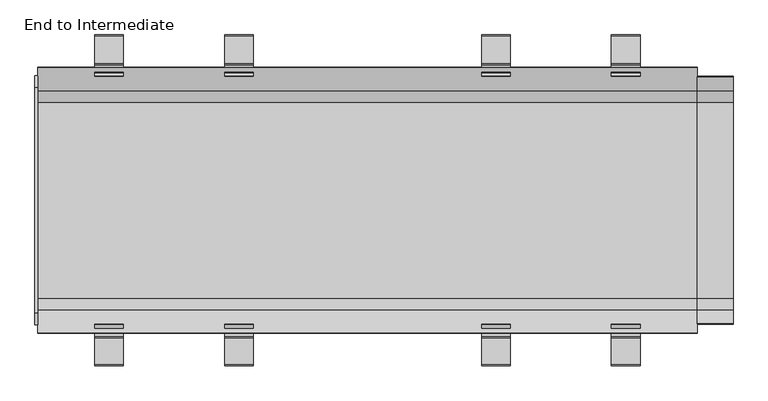
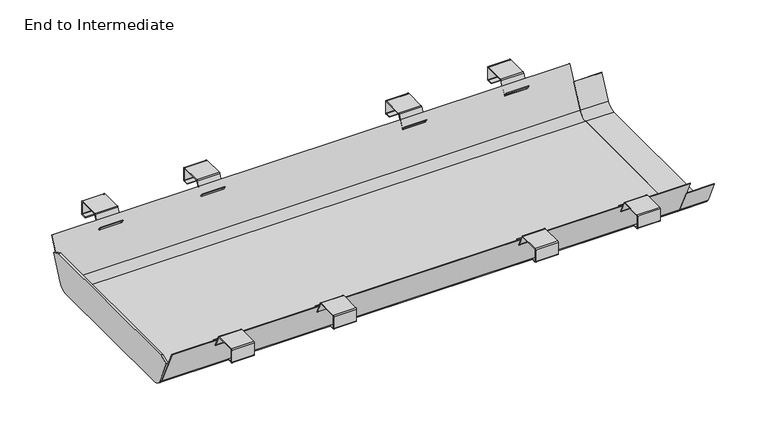
"""IFC4 building model written with IfcOpenShell, lengths in millimetres: furniture geometry, End to Intermediate."""

from ifc_helpers import new_model, si_unit, point, frame, frame_2d, origin, place, context, project, spatial, polyline, circle_curve, trimmed, segment, composite_curve, outline, extrude, source, transform, mapped, element, save


def end_to_intermediate_b257fd21(model_context):
    return source(origin(), model_context, "Body", "SweptSolid", [
        extrude(outline(composite_curve([segment(polyline([(-314.3902006, 691.2175894), (-262.5863476, 691.2175894)]), True, "CONTINUOUS"), segment(trimmed(circle_curve(frame_2d((-262.5863476, 688.1906532)), 3.0269361), [point((-262.5863476, 691.2175894))], [point((-259.8430196, 689.4699085))], False, "CARTESIAN"), True, "CONTINUOUS"), segment(polyline([(-259.8430196, 689.4699085), (-246.5846085, 661.037607)]), True, "CONTINUOUS"), segment(trimmed(circle_curve(frame_2d((-245.4846589, 661.5505301)), 1.2136636), [point((-246.5846085, 661.037607))], [point((-244.4904732, 660.8544166))], True, "CARTESIAN"), True, "CONTINUOUS"), segment(polyline([(-244.4904732, 660.8544166), (-238.583501, 669.2907232), (-237.3549672, 668.4305362), (-243.4492366, 659.7265967)]), True, "CONTINUOUS"), segment(trimmed(circle_curve(frame_2d((-245.517585, 661.1747998)), 2.524947), [point((-243.4492366, 659.7265967))], [point((-247.8059576, 660.1076971))], False, "CARTESIAN"), True, "CONTINUOUS"), segment(polyline([(-247.8059576, 660.1076971), (-261.3735958, 689.2031275)]), True, "CONTINUOUS"), segment(trimmed(circle_curve(frame_2d((-262.1811743, 688.8265414)), 0.8910668), [point((-261.3735958, 689.2031275))], [point((-262.1811743, 689.7176083))], True, "CARTESIAN"), True, "CONTINUOUS"), segment(polyline([(-262.1811743, 689.7176083), (-313.9528471, 689.7176083)]), True, "CONTINUOUS"), segment(trimmed(circle_curve(frame_2d((-313.9528471, 688.5126976)), 1.2049106), [point((-313.9528471, 689.7176083))], [point((-315.1577577, 688.5126976))], True, "CARTESIAN"), True, "CONTINUOUS"), segment(polyline([(-315.1577577, 688.5126976), (-315.1577577, 658.6910173)]), True, "CONTINUOUS"), segment(trimmed(circle_curve(frame_2d((-314.1843397, 658.6910173)), 0.973418), [point((-315.1577577, 658.6910173))], [point((-314.1843397, 657.7175993))], True, "CARTESIAN"), True, "CONTINUOUS"), segment(polyline([(-314.1843397, 657.7175993), (-301.6596991, 657.7175993), (-301.6596991, 656.2176182), (-314.147136, 656.2176182)]), True, "CONTINUOUS"), segment(trimmed(circle_curve(frame_2d((-314.147136, 658.7282211)), 2.5106029), [point((-314.147136, 656.2176182))], [point((-316.6577389, 658.7282211))], False, "CARTESIAN"), True, "CONTINUOUS"), segment(polyline([(-316.6577389, 658.7282211), (-316.6577389, 688.9500511)]), True, "CONTINUOUS"), segment(trimmed(circle_curve(frame_2d((-314.3902006, 688.9500511)), 2.2675383), [point((-316.6577389, 688.9500511))], [point((-314.3902006, 691.2175894))], False, "CARTESIAN"), True, "CONTINUOUS")], self_intersect=False)), frame((-522.0245546, 0.0, 0.0), z_axis=(1.0, 0.0, 0.0), x_axis=(0.0, 1.0, 0.0)), (0.0, 0.0, 1.0), 55.0186294),
        extrude(outline(composite_curve([segment(trimmed(circle_curve(frame_2d((314.3902006, 688.9500511)), 2.2675383), [point((314.3902006, 691.2175894))], [point((316.6577389, 688.9500511))], False, "CARTESIAN"), True, "CONTINUOUS"), segment(polyline([(316.6577389, 688.9500511), (316.6577389, 658.7282211)]), True, "CONTINUOUS"), segment(trimmed(circle_curve(frame_2d((314.147136, 658.7282211)), 2.5106029), [point((316.6577389, 658.7282211))], [point((314.147136, 656.2176182))], False, "CARTESIAN"), True, "CONTINUOUS"), segment(polyline([(314.147136, 656.2176182), (301.6596991, 656.2176182), (301.6596991, 657.7175993), (314.1843397, 657.7175993)]), True, "CONTINUOUS"), segment(trimmed(circle_curve(frame_2d((314.1843397, 658.6910173)), 0.973418), [point((314.1843397, 657.7175993))], [point((315.1577577, 658.6910173))], True, "CARTESIAN"), True, "CONTINUOUS"), segment(polyline([(315.1577577, 658.6910173), (315.1577577, 688.5126976)]), True, "CONTINUOUS"), segment(trimmed(circle_curve(frame_2d((313.9528471, 688.5126976)), 1.2049106), [point((315.1577577, 688.5126976))], [point((313.9528471, 689.7176083))], True, "CARTESIAN"), True, "CONTINUOUS"), segment(polyline([(313.9528471, 689.7176083), (262.1811743, 689.7176083)]), True, "CONTINUOUS"), segment(trimmed(circle_curve(frame_2d((262.1811743, 688.8265414)), 0.8910668), [point((262.1811743, 689.7176083))], [point((261.3735958, 689.2031275))], True, "CARTESIAN"), True, "CONTINUOUS"), segment(polyline([(261.3735958, 689.2031275), (247.8059576, 660.1076971)]), True, "CONTINUOUS"), segment(trimmed(circle_curve(frame_2d((245.517585, 661.1747998)), 2.524947), [point((247.8059576, 660.1076971))], [point((243.4492366, 659.7265967))], False, "CARTESIAN"), True, "CONTINUOUS"), segment(polyline([(243.4492366, 659.7265967), (237.3549672, 668.4305362), (238.583501, 669.2907232), (244.4904732, 660.8544166)]), True, "CONTINUOUS"), segment(trimmed(circle_curve(frame_2d((245.4846589, 661.5505301)), 1.2136636), [point((244.4904732, 660.8544166))], [point((246.5846085, 661.037607))], True, "CARTESIAN"), True, "CONTINUOUS"), segment(polyline([(246.5846085, 661.037607), (259.8430196, 689.4699085)]), True, "CONTINUOUS"), segment(trimmed(circle_curve(frame_2d((262.5863476, 688.1906532)), 3.0269361), [point((259.8430196, 689.4699085))], [point((262.5863476, 691.2175894))], False, "CARTESIAN"), True, "CONTINUOUS"), segment(polyline([(262.5863476, 691.2175894), (314.3902006, 691.2175894)]), True, "CONTINUOUS")], self_intersect=False)), frame((-522.0245546, 0.0, 0.0), z_axis=(1.0, 0.0, 0.0), x_axis=(0.0, 1.0, 0.0)), (0.0, 0.0, 1.0), 55.0186294),
        extrude(outline(composite_curve([segment(polyline([(-314.3902006, 691.2175894), (-262.5863476, 691.2175894)]), True, "CONTINUOUS"), segment(trimmed(circle_curve(frame_2d((-262.5863476, 688.1906532)), 3.0269361), [point((-262.5863476, 691.2175894))], [point((-259.8430196, 689.4699085))], False, "CARTESIAN"), True, "CONTINUOUS"), segment(polyline([(-259.8430196, 689.4699085), (-246.5846085, 661.037607)]), True, "CONTINUOUS"), segment(trimmed(circle_curve(frame_2d((-245.4846589, 661.5505301)), 1.2136636), [point((-246.5846085, 661.037607))], [point((-244.4904732, 660.8544166))], True, "CARTESIAN"), True, "CONTINUOUS"), segment(polyline([(-244.4904732, 660.8544166), (-238.583501, 669.2907232), (-237.3549672, 668.4305362), (-243.4492366, 659.7265967)]), True, "CONTINUOUS"), segment(trimmed(circle_curve(frame_2d((-245.517585, 661.1747998)), 2.524947), [point((-243.4492366, 659.7265967))], [point((-247.8059576, 660.1076971))], False, "CARTESIAN"), True, "CONTINUOUS"), segment(polyline([(-247.8059576, 660.1076971), (-261.3735958, 689.2031275)]), True, "CONTINUOUS"), segment(trimmed(circle_curve(frame_2d((-262.1811743, 688.8265414)), 0.8910668), [point((-261.3735958, 689.2031275))], [point((-262.1811743, 689.7176083))], True, "CARTESIAN"), True, "CONTINUOUS"), segment(polyline([(-262.1811743, 689.7176083), (-313.9528471, 689.7176083)]), True, "CONTINUOUS"), segment(trimmed(circle_curve(frame_2d((-313.9528471, 688.5126976)), 1.2049106), [point((-313.9528471, 689.7176083))], [point((-315.1577577, 688.5126976))], True, "CARTESIAN"), True, "CONTINUOUS"), segment(polyline([(-315.1577577, 688.5126976), (-315.1577577, 658.6910173)]), True, "CONTINUOUS"), segment(trimmed(circle_curve(frame_2d((-314.1843397, 658.6910173)), 0.973418), [point((-315.1577577, 658.6910173))], [point((-314.1843397, 657.7175993))], True, "CARTESIAN"), True, "CONTINUOUS"), segment(polyline([(-314.1843397, 657.7175993), (-301.6596991, 657.7175993), (-301.6596991, 656.2176182), (-314.147136, 656.2176182)]), True, "CONTINUOUS"), segment(trimmed(circle_curve(frame_2d((-314.147136, 658.7282211)), 2.5106029), [point((-314.147136, 656.2176182))], [point((-316.6577389, 658.7282211))], False, "CARTESIAN"), True, "CONTINUOUS"), segment(polyline([(-316.6577389, 658.7282211), (-316.6577389, 688.9500511)]), True, "CONTINUOUS"), segment(trimmed(circle_curve(frame_2d((-314.3902006, 688.9500511)), 2.2675383), [point((-316.6577389, 688.9500511))], [point((-314.3902006, 691.2175894))], False, "CARTESIAN"), True, "CONTINUOUS")], self_intersect=False)), frame((-273.4528805, 0.0, 0.0), z_axis=(1.0, 0.0, 0.0), x_axis=(0.0, 1.0, 0.0)), (0.0, 0.0, 1.0), 54.9870932),
        extrude(outline(composite_curve([segment(trimmed(circle_curve(frame_2d((314.3902006, 688.9500511)), 2.2675383), [point((314.3902006, 691.2175894))], [point((316.6577389, 688.9500511))], False, "CARTESIAN"), True, "CONTINUOUS"), segment(polyline([(316.6577389, 688.9500511), (316.6577389, 658.7282211)]), True, "CONTINUOUS"), segment(trimmed(circle_curve(frame_2d((314.147136, 658.7282211)), 2.5106029), [point((316.6577389, 658.7282211))], [point((314.147136, 656.2176182))], False, "CARTESIAN"), True, "CONTINUOUS"), segment(polyline([(314.147136, 656.2176182), (301.6596991, 656.2176182), (301.6596991, 657.7175993), (314.1843397, 657.7175993)]), True, "CONTINUOUS"), segment(trimmed(circle_curve(frame_2d((314.1843397, 658.6910173)), 0.973418), [point((314.1843397, 657.7175993))], [point((315.1577577, 658.6910173))], True, "CARTESIAN"), True, "CONTINUOUS"), segment(polyline([(315.1577577, 658.6910173), (315.1577577, 688.5126976)]), True, "CONTINUOUS"), segment(trimmed(circle_curve(frame_2d((313.9528471, 688.5126976)), 1.2049106), [point((315.1577577, 688.5126976))], [point((313.9528471, 689.7176083))], True, "CARTESIAN"), True, "CONTINUOUS"), segment(polyline([(313.9528471, 689.7176083), (262.1811743, 689.7176083)]), True, "CONTINUOUS"), segment(trimmed(circle_curve(frame_2d((262.1811743, 688.8265414)), 0.8910668), [point((262.1811743, 689.7176083))], [point((261.3735958, 689.2031275))], True, "CARTESIAN"), True, "CONTINUOUS"), segment(polyline([(261.3735958, 689.2031275), (247.8059576, 660.1076971)]), True, "CONTINUOUS"), segment(trimmed(circle_curve(frame_2d((245.517585, 661.1747998)), 2.524947), [point((247.8059576, 660.1076971))], [point((243.4492366, 659.7265967))], False, "CARTESIAN"), True, "CONTINUOUS"), segment(polyline([(243.4492366, 659.7265967), (237.3549672, 668.4305362), (238.583501, 669.2907232), (244.4904732, 660.8544166)]), True, "CONTINUOUS"), segment(trimmed(circle_curve(frame_2d((245.4846589, 661.5505301)), 1.2136636), [point((244.4904732, 660.8544166))], [point((246.5846085, 661.037607))], True, "CARTESIAN"), True, "CONTINUOUS"), segment(polyline([(246.5846085, 661.037607), (259.8430196, 689.4699085)]), True, "CONTINUOUS"), segment(trimmed(circle_curve(frame_2d((262.5863476, 688.1906532)), 3.0269361), [point((259.8430196, 689.4699085))], [point((262.5863476, 691.2175894))], False, "CARTESIAN"), True, "CONTINUOUS"), segment(polyline([(262.5863476, 691.2175894), (314.3902006, 691.2175894)]), True, "CONTINUOUS")], self_intersect=False)), frame((-273.4528805, 0.0, 0.0), z_axis=(1.0, 0.0, 0.0), x_axis=(0.0, 1.0, 0.0)), (0.0, 0.0, 1.0), 54.9870932),
        extrude(outline(composite_curve([segment(polyline([(-314.3902006, 691.2175894), (-262.5863476, 691.2175894)]), True, "CONTINUOUS"), segment(trimmed(circle_curve(frame_2d((-262.5863476, 688.1906532)), 3.0269361), [point((-262.5863476, 691.2175894))], [point((-259.8430196, 689.4699085))], False, "CARTESIAN"), True, "CONTINUOUS"), segment(polyline([(-259.8430196, 689.4699085), (-246.5846085, 661.037607)]), True, "CONTINUOUS"), segment(trimmed(circle_curve(frame_2d((-245.4846589, 661.5505301)), 1.2136636), [point((-246.5846085, 661.037607))], [point((-244.4904732, 660.8544166))], True, "CARTESIAN"), True, "CONTINUOUS"), segment(polyline([(-244.4904732, 660.8544166), (-238.583501, 669.2907232), (-237.3549672, 668.4305362), (-243.4492366, 659.7265967)]), True, "CONTINUOUS"), segment(trimmed(circle_curve(frame_2d((-245.517585, 661.1747998)), 2.524947), [point((-243.4492366, 659.7265967))], [point((-247.8059576, 660.1076971))], False, "CARTESIAN"), True, "CONTINUOUS"), segment(polyline([(-247.8059576, 660.1076971), (-261.3735958, 689.2031275)]), True, "CONTINUOUS"), segment(trimmed(circle_curve(frame_2d((-262.1811743, 688.8265414)), 0.8910668), [point((-261.3735958, 689.2031275))], [point((-262.1811743, 689.7176083))], True, "CARTESIAN"), True, "CONTINUOUS"), segment(polyline([(-262.1811743, 689.7176083), (-313.9528471, 689.7176083)]), True, "CONTINUOUS"), segment(trimmed(circle_curve(frame_2d((-313.9528471, 688.5126976)), 1.2049106), [point((-313.9528471, 689.7176083))], [point((-315.1577577, 688.5126976))], True, "CARTESIAN"), True, "CONTINUOUS"), segment(polyline([(-315.1577577, 688.5126976), (-315.1577577, 658.6910173)]), True, "CONTINUOUS"), segment(trimmed(circle_curve(frame_2d((-314.1843397, 658.6910173)), 0.973418), [point((-315.1577577, 658.6910173))], [point((-314.1843397, 657.7175993))], True, "CARTESIAN"), True, "CONTINUOUS"), segment(polyline([(-314.1843397, 657.7175993), (-301.6596991, 657.7175993), (-301.6596991, 656.2176182), (-314.147136, 656.2176182)]), True, "CONTINUOUS"), segment(trimmed(circle_curve(frame_2d((-314.147136, 658.7282211)), 2.5106029), [point((-314.147136, 656.2176182))], [point((-316.6577389, 658.7282211))], False, "CARTESIAN"), True, "CONTINUOUS"), segment(polyline([(-316.6577389, 658.7282211), (-316.6577389, 688.9500511)]), True, "CONTINUOUS"), segment(trimmed(circle_curve(frame_2d((-314.3902006, 688.9500511)), 2.2675383), [point((-316.6577389, 688.9500511))], [point((-314.3902006, 691.2175894))], False, "CARTESIAN"), True, "CONTINUOUS")], self_intersect=False)), frame((467.0059252, 0.0, 0.0), z_axis=(1.0, 0.0, 0.0), x_axis=(0.0, 1.0, 0.0)), (0.0, 0.0, 1.0), 55.0186294),
        extrude(outline(composite_curve([segment(trimmed(circle_curve(frame_2d((314.3902006, 688.9500511)), 2.2675383), [point((314.3902006, 691.2175894))], [point((316.6577389, 688.9500511))], False, "CARTESIAN"), True, "CONTINUOUS"), segment(polyline([(316.6577389, 688.9500511), (316.6577389, 658.7282211)]), True, "CONTINUOUS"), segment(trimmed(circle_curve(frame_2d((314.147136, 658.7282211)), 2.5106029), [point((316.6577389, 658.7282211))], [point((314.147136, 656.2176182))], False, "CARTESIAN"), True, "CONTINUOUS"), segment(polyline([(314.147136, 656.2176182), (301.6596991, 656.2176182), (301.6596991, 657.7175993), (314.1843397, 657.7175993)]), True, "CONTINUOUS"), segment(trimmed(circle_curve(frame_2d((314.1843397, 658.6910173)), 0.973418), [point((314.1843397, 657.7175993))], [point((315.1577577, 658.6910173))], True, "CARTESIAN"), True, "CONTINUOUS"), segment(polyline([(315.1577577, 658.6910173), (315.1577577, 688.5126976)]), True, "CONTINUOUS"), segment(trimmed(circle_curve(frame_2d((313.9528471, 688.5126976)), 1.2049106), [point((315.1577577, 688.5126976))], [point((313.9528471, 689.7176083))], True, "CARTESIAN"), True, "CONTINUOUS"), segment(polyline([(313.9528471, 689.7176083), (262.1811743, 689.7176083)]), True, "CONTINUOUS"), segment(trimmed(circle_curve(frame_2d((262.1811743, 688.8265414)), 0.8910668), [point((262.1811743, 689.7176083))], [point((261.3735958, 689.2031275))], True, "CARTESIAN"), True, "CONTINUOUS"), segment(polyline([(261.3735958, 689.2031275), (247.8059576, 660.1076971)]), True, "CONTINUOUS"), segment(trimmed(circle_curve(frame_2d((245.517585, 661.1747998)), 2.524947), [point((247.8059576, 660.1076971))], [point((243.4492366, 659.7265967))], False, "CARTESIAN"), True, "CONTINUOUS"), segment(polyline([(243.4492366, 659.7265967), (237.3549672, 668.4305362), (238.583501, 669.2907232), (244.4904732, 660.8544166)]), True, "CONTINUOUS"), segment(trimmed(circle_curve(frame_2d((245.4846589, 661.5505301)), 1.2136636), [point((244.4904732, 660.8544166))], [point((246.5846085, 661.037607))], True, "CARTESIAN"), True, "CONTINUOUS"), segment(polyline([(246.5846085, 661.037607), (259.8430196, 689.4699085)]), True, "CONTINUOUS"), segment(trimmed(circle_curve(frame_2d((262.5863476, 688.1906532)), 3.0269361), [point((259.8430196, 689.4699085))], [point((262.5863476, 691.2175894))], False, "CARTESIAN"), True, "CONTINUOUS"), segment(polyline([(262.5863476, 691.2175894), (314.3902006, 691.2175894)]), True, "CONTINUOUS")], self_intersect=False)), frame((467.0059252, 0.0, 0.0), z_axis=(1.0, 0.0, 0.0), x_axis=(0.0, 1.0, 0.0)), (0.0, 0.0, 1.0), 55.0186294),
        extrude(outline(composite_curve([segment(polyline([(-314.3902006, 691.2175894), (-262.5863476, 691.2175894)]), True, "CONTINUOUS"), segment(trimmed(circle_curve(frame_2d((-262.5863476, 688.1906532)), 3.0269361), [point((-262.5863476, 691.2175894))], [point((-259.8430196, 689.4699085))], False, "CARTESIAN"), True, "CONTINUOUS"), segment(polyline([(-259.8430196, 689.4699085), (-246.5846085, 661.037607)]), True, "CONTINUOUS"), segment(trimmed(circle_curve(frame_2d((-245.4846589, 661.5505301)), 1.2136636), [point((-246.5846085, 661.037607))], [point((-244.4904732, 660.8544166))], True, "CARTESIAN"), True, "CONTINUOUS"), segment(polyline([(-244.4904732, 660.8544166), (-238.583501, 669.2907232), (-237.3549672, 668.4305362), (-243.4492366, 659.7265967)]), True, "CONTINUOUS"), segment(trimmed(circle_curve(frame_2d((-245.517585, 661.1747998)), 2.524947), [point((-243.4492366, 659.7265967))], [point((-247.8059576, 660.1076971))], False, "CARTESIAN"), True, "CONTINUOUS"), segment(polyline([(-247.8059576, 660.1076971), (-261.3735958, 689.2031275)]), True, "CONTINUOUS"), segment(trimmed(circle_curve(frame_2d((-262.1811743, 688.8265414)), 0.8910668), [point((-261.3735958, 689.2031275))], [point((-262.1811743, 689.7176083))], True, "CARTESIAN"), True, "CONTINUOUS"), segment(polyline([(-262.1811743, 689.7176083), (-313.9528471, 689.7176083)]), True, "CONTINUOUS"), segment(trimmed(circle_curve(frame_2d((-313.9528471, 688.5126976)), 1.2049106), [point((-313.9528471, 689.7176083))], [point((-315.1577577, 688.5126976))], True, "CARTESIAN"), True, "CONTINUOUS"), segment(polyline([(-315.1577577, 688.5126976), (-315.1577577, 658.6910173)]), True, "CONTINUOUS"), segment(trimmed(circle_curve(frame_2d((-314.1843397, 658.6910173)), 0.973418), [point((-315.1577577, 658.6910173))], [point((-314.1843397, 657.7175993))], True, "CARTESIAN"), True, "CONTINUOUS"), segment(polyline([(-314.1843397, 657.7175993), (-301.6596991, 657.7175993), (-301.6596991, 656.2176182), (-314.147136, 656.2176182)]), True, "CONTINUOUS"), segment(trimmed(circle_curve(frame_2d((-314.147136, 658.7282211)), 2.5106029), [point((-314.147136, 656.2176182))], [point((-316.6577389, 658.7282211))], False, "CARTESIAN"), True, "CONTINUOUS"), segment(polyline([(-316.6577389, 658.7282211), (-316.6577389, 688.9500511)]), True, "CONTINUOUS"), segment(trimmed(circle_curve(frame_2d((-314.3902006, 688.9500511)), 2.2675383), [point((-316.6577389, 688.9500511))], [point((-314.3902006, 691.2175894))], False, "CARTESIAN"), True, "CONTINUOUS")], self_intersect=False)), frame((218.4657874, 0.0, 0.0), z_axis=(1.0, 0.0, 0.0), x_axis=(0.0, 1.0, 0.0)), (0.0, 0.0, 1.0), 54.9870932),
        extrude(outline(composite_curve([segment(trimmed(circle_curve(frame_2d((314.3902006, 688.9500511)), 2.2675383), [point((314.3902006, 691.2175894))], [point((316.6577389, 688.9500511))], False, "CARTESIAN"), True, "CONTINUOUS"), segment(polyline([(316.6577389, 688.9500511), (316.6577389, 658.7282211)]), True, "CONTINUOUS"), segment(trimmed(circle_curve(frame_2d((314.147136, 658.7282211)), 2.5106029), [point((316.6577389, 658.7282211))], [point((314.147136, 656.2176182))], False, "CARTESIAN"), True, "CONTINUOUS"), segment(polyline([(314.147136, 656.2176182), (301.6596991, 656.2176182), (301.6596991, 657.7175993), (314.1843397, 657.7175993)]), True, "CONTINUOUS"), segment(trimmed(circle_curve(frame_2d((314.1843397, 658.6910173)), 0.973418), [point((314.1843397, 657.7175993))], [point((315.1577577, 658.6910173))], True, "CARTESIAN"), True, "CONTINUOUS"), segment(polyline([(315.1577577, 658.6910173), (315.1577577, 688.5126976)]), True, "CONTINUOUS"), segment(trimmed(circle_curve(frame_2d((313.9528471, 688.5126976)), 1.2049106), [point((315.1577577, 688.5126976))], [point((313.9528471, 689.7176083))], True, "CARTESIAN"), True, "CONTINUOUS"), segment(polyline([(313.9528471, 689.7176083), (262.1811743, 689.7176083)]), True, "CONTINUOUS"), segment(trimmed(circle_curve(frame_2d((262.1811743, 688.8265414)), 0.8910668), [point((262.1811743, 689.7176083))], [point((261.3735958, 689.2031275))], True, "CARTESIAN"), True, "CONTINUOUS"), segment(polyline([(261.3735958, 689.2031275), (247.8059576, 660.1076971)]), True, "CONTINUOUS"), segment(trimmed(circle_curve(frame_2d((245.517585, 661.1747998)), 2.524947), [point((247.8059576, 660.1076971))], [point((243.4492366, 659.7265967))], False, "CARTESIAN"), True, "CONTINUOUS"), segment(polyline([(243.4492366, 659.7265967), (237.3549672, 668.4305362), (238.583501, 669.2907232), (244.4904732, 660.8544166)]), True, "CONTINUOUS"), segment(trimmed(circle_curve(frame_2d((245.4846589, 661.5505301)), 1.2136636), [point((244.4904732, 660.8544166))], [point((246.5846085, 661.037607))], True, "CARTESIAN"), True, "CONTINUOUS"), segment(polyline([(246.5846085, 661.037607), (259.8430196, 689.4699085)]), True, "CONTINUOUS"), segment(trimmed(circle_curve(frame_2d((262.5863476, 688.1906532)), 3.0269361), [point((259.8430196, 689.4699085))], [point((262.5863476, 691.2175894))], False, "CARTESIAN"), True, "CONTINUOUS"), segment(polyline([(262.5863476, 691.2175894), (314.3902006, 691.2175894)]), True, "CONTINUOUS")], self_intersect=False)), frame((218.4657874, 0.0, 0.0), z_axis=(1.0, 0.0, 0.0), x_axis=(0.0, 1.0, 0.0)), (0.0, 0.0, 1.0), 54.9870932),
        extrude(outline(composite_curve([segment(polyline([(236.9729352, 642.5575422), (237.7839823, 642.1793448), (211.0912035, 584.9364958)]), True, "CONTINUOUS"), segment(trimmed(circle_curve(frame_2d((187.2031002, 596.0757013)), 26.3576056), [point((211.0912035, 584.9364958))], [point((187.2031002, 569.7180957))], False, "CARTESIAN"), True, "CONTINUOUS"), segment(polyline([(187.2031002, 569.7180957), (-186.8906002, 569.7180957)]), True, "CONTINUOUS"), segment(trimmed(circle_curve(frame_2d((-186.8906002, 596.0757013)), 26.3576056), [point((-186.8906002, 569.7180957))], [point((-210.7787035, 584.9364958))], False, "CARTESIAN"), True, "CONTINUOUS"), segment(polyline([(-210.7787035, 584.9364958), (-237.5367758, 642.3193672), (-236.7257287, 642.6975646), (-209.8405997, 585.0422193)]), True, "CONTINUOUS"), segment(trimmed(circle_curve(frame_2d((-187.182905, 595.6076758)), 25.0), [point((-209.8405997, 585.0422193))], [point((-187.182905, 570.6076758))], True, "CARTESIAN"), True, "CONTINUOUS"), segment(polyline([(-187.182905, 570.6076758), (187.495405, 570.6076758)]), True, "CONTINUOUS"), segment(trimmed(circle_curve(frame_2d((187.495405, 595.6076758)), 25.0), [point((187.495405, 570.6076758))], [point((210.1530997, 585.0422193))], True, "CARTESIAN"), True, "CONTINUOUS"), segment(polyline([(210.1530997, 585.0422193), (236.9729352, 642.5575422)]), True, "CONTINUOUS")], self_intersect=False)), frame((631.5020169, 0.0, 0.0), z_axis=(1.0, 0.0, 0.0), x_axis=(0.0, 1.0, 0.0)), (0.0, 0.0, 1.0), 68.4979831),
        extrude(outline(composite_curve([segment(polyline([(215.1916299, 655.6158955), (238.0842986, 644.9408687), (210.1530997, 585.0422193)]), True, "CONTINUOUS"), segment(trimmed(circle_curve(frame_2d((187.495405, 595.6076758)), 25.0), [point((210.1530997, 585.0422193))], [point((187.495405, 570.6076758))], False, "CARTESIAN"), True, "CONTINUOUS"), segment(polyline([(187.495405, 570.6076758), (-187.182905, 570.6076758)]), True, "CONTINUOUS"), segment(trimmed(circle_curve(frame_2d((-187.182905, 595.6076758)), 25.0), [point((-187.182905, 570.6076758))], [point((-209.8405997, 585.0422193))], False, "CARTESIAN"), True, "CONTINUOUS"), segment(polyline([(-209.8405997, 585.0422193), (-238.3499298, 646.1806751), (-214.8083701, 655.6158955), (215.1916299, 655.6158955)]), True, "CONTINUOUS")], self_intersect=False)), frame((-636.502019, 0.0, 0.0), z_axis=(1.0, 0.0, 0.0), x_axis=(0.0, 1.0, 0.0)), (0.0, 0.0, 1.0), 5.000002),
        extrude(outline(composite_curve([segment(polyline([(253.8833112, 678.8219604), (254.6943582, 678.443763), (211.0912035, 584.9364958)]), True, "CONTINUOUS"), segment(trimmed(circle_curve(frame_2d((187.2031002, 596.0757013)), 26.3576056), [point((211.0912035, 584.9364958))], [point((187.2031002, 569.7180957))], False, "CARTESIAN"), True, "CONTINUOUS"), segment(polyline([(187.2031002, 569.7180957), (-186.8906002, 569.7180957)]), True, "CONTINUOUS"), segment(trimmed(circle_curve(frame_2d((-186.8906002, 596.0757013)), 26.3576056), [point((-186.8906002, 569.7180957))], [point((-210.7787035, 584.9364958))], False, "CARTESIAN"), True, "CONTINUOUS"), segment(polyline([(-210.7787035, 584.9364958), (-254.3818582, 678.443763), (-253.5708112, 678.8219604), (-209.8405997, 585.0422193)]), True, "CONTINUOUS"), segment(trimmed(circle_curve(frame_2d((-187.182905, 595.6076758)), 25.0), [point((-209.8405997, 585.0422193))], [point((-187.182905, 570.6076758))], True, "CARTESIAN"), True, "CONTINUOUS"), segment(polyline([(-187.182905, 570.6076758), (187.495405, 570.6076758)]), True, "CONTINUOUS"), segment(trimmed(circle_curve(frame_2d((187.495405, 595.6076758)), 25.0), [point((187.495405, 570.6076758))], [point((210.1530997, 585.0422193))], True, "CARTESIAN"), True, "CONTINUOUS"), segment(polyline([(210.1530997, 585.0422193), (253.8833112, 678.8219604)]), True, "CONTINUOUS")], self_intersect=False)), frame((-631.5020169, 0.0, 0.0), z_axis=(1.0, 0.0, 0.0), x_axis=(0.0, 1.0, 0.0)), (0.0, 0.0, 1.0), 1263.0040338),
    ])


if __name__ == "__main__":
    model = new_model("IFC4")
    model_context = context("Model", 3, world=origin())
    ifc_project = project(units=[si_unit("LENGTHUNIT", "METRE", prefix="MILLI")], contexts=[model_context])
    site = spatial("IfcSite", under=ifc_project)
    building = spatial("IfcBuilding", under=site)
    placement = place(None, origin())
    end_to_intermediate_shape = end_to_intermediate_b257fd21(model_context)
    element("IfcFurniture", 1, ObjectType="End to Intermediate", at=placement, inside=building, context=model_context, shape_type="MappedRepresentation", body=[
        mapped(end_to_intermediate_shape, transform((0.0, 0.0, 0.0), x_axis=(1.0, 0.0, 0.0), y_axis=(0.0, 1.0, 0.0), z_axis=(0.0, 0.0, 1.0))),
    ])
    save(model, "model.ifc")
